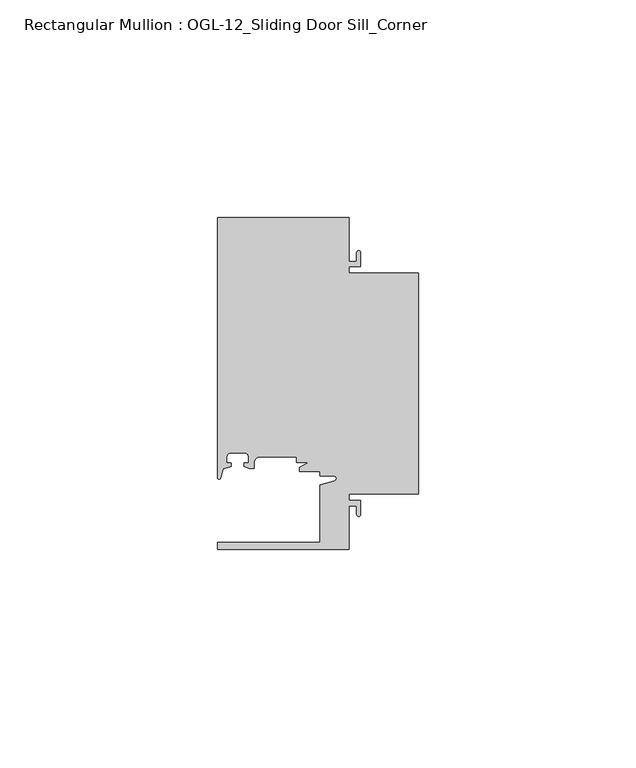
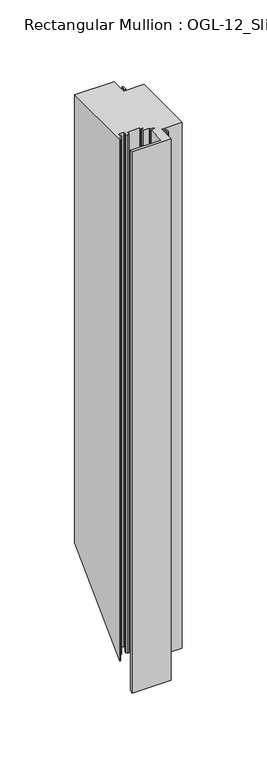
"""IFC4 building model written with IfcOpenShell, lengths in millimetres: member geometry, Rectangular Mullion : OGL-12_Sliding Door Sill_Corner."""

from ifc_helpers import new_model, si_unit, frame, origin, place, context, project, spatial, polyline, circle_curve, ellipse_curve, source, transform, mapped, element, save
from ifc_brep_helpers import plane_surface, cylinder_surface, revolved_surface, advanced_brep


def rectangular_mullion_ogl_12_sliding_door_sill_corner_6464598f(model_context):
    return source(origin(), model_context, "Body", "AdvancedBrep", [
        advanced_brep(
        [(0.0, 4.7625, 0.0), (0.0, 55.5625, 0.0), (-15.934238, 55.5625, 0.0), (-15.934238, 57.0104425, 0.0), (-13.2417195, 57.0104425, 0.0), (-13.2417195, 60.2053503, 0.0), (-14.15323, 60.2053503, 0.0), (-14.15323, 58.2169425, 0.0), (-15.934238, 58.2169425, 0.0), (-15.934238, 68.2628208, 0.0), (-46.0931306, 68.2628208, 0.0), (-46.0931306, 8.5365859, 0.0), (-45.434586, 8.4440335, 0.0), (-44.83413, 10.5380726, 0.0), (-43.0244711, 11.1260664, 0.0), (-43.0244711, 11.9378256, 0.0), (-44.0028338, 11.9378256, 0.0), (-44.0028338, 13.3878227, 0.0), (-43.2028354, 14.1878211, 0.0), (-39.8028422, 14.1878211, 0.0), (-39.0028438, 13.3878227, 0.0), (-39.0028438, 11.9378256, 0.0), (-39.9812066, 11.9378256, 0.0), (-39.9812066, 11.0948795, 0.0), (-38.8813571, 10.7133647, 0.0), (-37.7528423, 10.6805611, 0.0), (-37.7528423, 11.8825031, 0.0), (-36.3386331, 13.2988211, 0.0), (-27.9268052, 13.2988211, 0.0), (-27.9268052, 12.0119625, 0.0), (-25.1995125, 12.0119625, 0.0), (-27.2970068, 10.896705, 0.0), (-27.2970068, 9.9460025, 0.0), (-22.6027094, 9.9460025, 0.0), (-22.6027094, 8.9088472, 0.0), (-19.3562398, 8.9088472, 0.0), (-19.2086572, 7.8587421, 0.0), (-22.6260049, 6.8788334, 0.0), (-22.6260049, -6.3496792, 0.0), (-46.0931306, -6.3496792, 0.0), (-46.0931306, -7.9371792, 0.0), (-15.934238, -7.9371792, 0.0), (-15.934238, 2.1086991, 0.0), (-14.15323, 2.1086991, 0.0), (-14.15323, 0.1196497, 0.0), (-13.2417195, 0.1196497, 0.0), (-13.2417195, 3.3151991, 0.0), (-15.934238, 3.3151991, 0.0), (-15.934238, 4.7625, 0.0), (0.0, 4.7625, -427.9387467), (0.0, 55.5625, -377.1387468), (-15.934238, 55.5625, -377.1387468), (-15.934238, 57.0104425, -375.6908043), (-13.2417195, 57.0104425, -375.6908043), (-13.2417195, 60.2053503, -372.4958965), (-14.15323, 60.2053503, -372.4958965), (-14.15323, 58.2169425, -374.4843043), (-15.934238, 58.2169425, -374.4843043), (-15.934238, 68.2628208, -364.4384259), (-46.0931306, 68.2628208, -364.4384259), (-46.0931306, 8.5365859, -424.1646609), (-45.434586, 8.4440335, -424.2572133), (-44.83413, 10.5380726, -422.1631742), (-43.0244711, 11.1260664, -421.5751803), (-43.0244711, 11.9378256, -420.7634211), (-44.0028338, 11.9378256, -420.7634211), (-44.0028338, 13.3878227, -419.313424), (-43.2028354, 14.1878211, -418.5134256), (-39.8028422, 14.1878211, -418.5134256), (-39.0028438, 13.3878227, -419.313424), (-39.0028438, 11.9378256, -420.7634211), (-39.9812066, 11.9378256, -420.7634211), (-39.9812066, 11.0948795, -421.6063672), (-38.8813571, 10.7133647, -421.9878821), (-37.7528423, 10.6805611, -422.0206856), (-37.7528423, 11.8825031, -420.8187436), (-36.3386331, 13.2988211, -419.4024256), (-27.9268052, 13.2988211, -419.4024256), (-27.9268052, 12.0119625, -420.6892842), (-25.1995125, 12.0119625, -420.6892842), (-27.2970068, 10.896705, -421.8045417), (-27.2970068, 9.9460025, -422.7552442), (-22.6027094, 9.9460025, -422.7552442), (-22.6027094, 8.9088472, -423.7923995), (-19.3562398, 8.9088472, -423.7923995), (-19.2086572, 7.8587421, -424.8425046), (-22.6260049, 6.8788334, -425.8224133), (-22.6260049, -6.3496792, -439.0509259), (-46.0931306, -6.3496792, -439.0509259), (-46.0931306, -7.9371792, -440.6384259), (-15.934238, -7.9371792, -440.6384259), (-15.934238, 2.1086991, -430.5925476), (-14.15323, 2.1086991, -430.5925476), (-14.15323, 0.1196497, -432.581597), (-13.2417195, 0.1196497, -432.581597), (-13.2417195, 3.3151991, -429.3860476), (-15.934238, 3.3151991, -429.3860476), (-15.934238, 4.7625, -427.9387467)],
        [
            (0, 1),
            (1, 2),
            (2, 3),
            (3, 4),
            (4, 5),
            (5, 6, circle_curve(frame((-13.6974747, 60.2053503, 0.0), z_axis=(0.0, 0.0, 1.0), x_axis=(1.0, 0.0, 0.0)), 0.4557552)),
            (6, 7),
            (7, 8),
            (8, 9),
            (9, 10),
            (10, 11),
            (11, 12, circle_curve(frame((-45.7573546, 8.5365859, 0.0), z_axis=(0.0, 0.0, 1.0), x_axis=(1.0, 0.0, 0.0)), 0.335776)),
            (12, 13),
            (13, 14),
            (14, 15),
            (15, 16),
            (16, 17),
            (17, 18, circle_curve(frame((-43.2028354, 13.3878227, 0.0), z_axis=(0.0, 0.0, -1.0), x_axis=(-1.0, 1.799826092248439e-12, 0.0)), 0.7999984)),
            (18, 19),
            (19, 20, circle_curve(frame((-39.8028422, 13.3878227, 0.0), z_axis=(0.0, 0.0, -1.0), x_axis=(0.0, 1.0, 0.0)), 0.7999984)),
            (20, 21),
            (21, 22),
            (22, 23),
            (23, 24),
            (24, 25),
            (25, 26),
            (26, 27, circle_curve(frame((-36.3386331, 11.8846104, 0.0), z_axis=(0.0, 0.0, -1.0), x_axis=(-0.9999999999986251, -1.6582437952564231e-06, 0.0)), 1.4142107)),
            (27, 28),
            (28, 29),
            (29, 30),
            (30, 31),
            (31, 32),
            (32, 33),
            (33, 34),
            (34, 35),
            (35, 36, circle_curve(frame((-19.3562398, 8.373424, 0.0), z_axis=(0.0, 0.0, -1.0), x_axis=(1.0, 0.0, 0.0)), 0.5354233)),
            (36, 37),
            (37, 38),
            (38, 39),
            (39, 40),
            (40, 41),
            (41, 42),
            (42, 43),
            (43, 44),
            (44, 45, circle_curve(frame((-13.6974747, 0.1196497, 0.0), z_axis=(0.0, 0.0, 1.0), x_axis=(1.0, 0.0, 0.0)), 0.4557552)),
            (45, 46),
            (46, 47),
            (47, 48),
            (48, 0),
            (0, 49),
            (49, 50),
            (50, 1),
            (50, 51),
            (51, 2),
            (51, 52),
            (52, 3),
            (52, 53),
            (53, 4),
            (53, 54),
            (54, 5),
            (54, 55, ellipse_curve(frame((-13.6974747, 60.2053503, -372.4958965), z_axis=(0.0, -0.7071067811865476, 0.7071067811865476), x_axis=(0.0, 0.7071067811865476, 0.7071067811865475)), 0.6445352, 0.4557552)),
            (55, 6),
            (55, 56),
            (56, 7),
            (56, 57),
            (57, 8),
            (57, 58),
            (58, 9),
            (58, 59),
            (59, 10),
            (59, 60),
            (60, 11),
            (60, 61, ellipse_curve(frame((-45.7573546, 8.5365859, -424.1646609), z_axis=(0.0, -0.7071067811865476, 0.7071067811865476), x_axis=(0.0, 0.7071067811865476, 0.7071067811865475)), 0.474859, 0.335776)),
            (61, 12),
            (61, 62),
            (62, 13),
            (62, 63),
            (63, 14),
            (63, 64),
            (64, 15),
            (64, 65),
            (65, 16),
            (65, 66),
            (66, 17),
            (66, 67, ellipse_curve(frame((-43.2028354, 13.3878227, -419.313424), z_axis=(0.0, 0.7071067811865476, -0.7071067811865476), x_axis=(0.0, -0.7071067811865476, -0.7071067811865475)), 1.1313686, 0.7999984)),
            (67, 18),
            (67, 68),
            (68, 19),
            (68, 69, ellipse_curve(frame((-39.8028422, 13.3878227, -419.313424), z_axis=(0.0, 0.7071067811865476, -0.7071067811865476), x_axis=(0.0, -0.7071067811865476, -0.7071067811865475)), 1.1313686, 0.7999984)),
            (69, 20),
            (69, 70),
            (70, 21),
            (70, 71),
            (71, 22),
            (71, 72),
            (72, 23),
            (72, 73),
            (73, 24),
            (73, 74),
            (74, 25),
            (74, 75),
            (75, 26),
            (75, 76, ellipse_curve(frame((-36.3386331, 11.8846104, -420.8166364), z_axis=(0.0, 0.7071067811865476, -0.7071067811865476), x_axis=(0.0, -0.7071067811865476, -0.7071067811865475)), 1.999996, 1.4142107)),
            (76, 27),
            (76, 77),
            (77, 28),
            (77, 78),
            (78, 29),
            (78, 79),
            (79, 30),
            (79, 80),
            (80, 31),
            (80, 81),
            (81, 32),
            (81, 82),
            (82, 33),
            (82, 83),
            (83, 34),
            (83, 84),
            (84, 35),
            (84, 85, ellipse_curve(frame((-19.3562398, 8.373424, -424.3278228), z_axis=(0.0, 0.7071067811865476, -0.7071067811865476), x_axis=(0.0, -0.7071067811865476, -0.7071067811865475)), 0.7572029, 0.5354233)),
            (85, 36),
            (85, 86),
            (86, 37),
            (86, 87),
            (87, 38),
            (87, 88),
            (88, 39),
            (88, 89),
            (89, 40),
            (89, 90),
            (90, 41),
            (90, 91),
            (91, 42),
            (91, 92),
            (92, 43),
            (92, 93),
            (93, 44),
            (93, 94, ellipse_curve(frame((-13.6974747, 0.1196497, -432.581597), z_axis=(0.0, -0.7071067811865476, 0.7071067811865476), x_axis=(0.0, 0.7071067811865476, 0.7071067811865475)), 0.6445352, 0.4557552)),
            (94, 45),
            (94, 95),
            (95, 46),
            (95, 96),
            (96, 47),
            (96, 97),
            (97, 48),
            (97, 49),
        ],
        [
            plane_surface(frame((0.0, -82.3674049, 0.0), z_axis=(0.0, 0.0, 1.0), x_axis=(-1.0, 0.0, 0.0))),
            plane_surface(frame((0.0, 4.7625, 0.0), z_axis=(1.0, 0.0, 0.0), x_axis=(0.0, 0.0, -1.0))),
            plane_surface(frame((0.0, 55.5625, 0.0), z_axis=(0.0, 1.0, 0.0), x_axis=(0.0, 0.0, -1.0))),
            plane_surface(frame((-15.934238, 55.5625, 0.0), z_axis=(1.0, 0.0, 0.0), x_axis=(0.0, 0.0, -1.0))),
            plane_surface(frame((-15.934238, 57.0104425, 0.0), z_axis=(0.0, -1.0, 0.0), x_axis=(0.0, 0.0, -1.0))),
            plane_surface(frame((-13.2417195, 57.0104425, 0.0), z_axis=(1.0, 0.0, 0.0), x_axis=(0.0, 0.0, -1.0))),
            cylinder_surface(frame((-13.6974747, 60.2053503, 0.0), z_axis=(0.0, 0.0, 1.0), x_axis=(1.0, 0.0, 0.0)), 0.4557552),
            plane_surface(frame((-14.15323, 60.2053503, 0.0), z_axis=(-1.0, 0.0, 0.0), x_axis=(0.0, 0.0, -1.0))),
            plane_surface(frame((-14.15323, 58.2169425, 0.0), z_axis=(0.0, 1.0, 0.0), x_axis=(0.0, 0.0, -1.0))),
            plane_surface(frame((-15.934238, 58.2169425, 0.0), z_axis=(1.0, 0.0, 0.0), x_axis=(0.0, 0.0, -1.0))),
            plane_surface(frame((-15.934238, 68.2628208, 0.0), z_axis=(0.0, 1.0, 0.0), x_axis=(0.0, 0.0, -1.0))),
            plane_surface(frame((-46.0931306, 68.2628208, 0.0), z_axis=(-1.0, 0.0, 0.0), x_axis=(0.0, 0.0, -1.0))),
            cylinder_surface(frame((-45.7573546, 8.5365859, 0.0), z_axis=(0.0, 0.0, 1.0), x_axis=(1.0, 0.0, 0.0)), 0.335776),
            plane_surface(frame((-45.434586, 8.4440335, 0.0), z_axis=(0.9612616959383194, -0.2756373558169974, 0.0), x_axis=(0.0, 0.0, -1.0))),
            plane_surface(frame((-44.83413, 10.5380726, 0.0), z_axis=(0.3090169943749513, -0.9510565162951524, 0.0), x_axis=(0.0, 0.0, -1.0))),
            plane_surface(frame((-43.0244711, 11.1260664, 0.0), z_axis=(1.0, 4.43377596609906e-12, 0.0), x_axis=(0.0, 0.0, -1.0))),
            plane_surface(frame((-43.0244711, 11.9378256, 0.0), z_axis=(-4.433747641661293e-12, 1.0, 0.0), x_axis=(0.0, 0.0, -1.0))),
            plane_surface(frame((-44.0028338, 11.9378256, 0.0), z_axis=(1.0, 0.0, 0.0), x_axis=(0.0, 0.0, -1.0))),
            revolved_surface(polyline([(-44.0028338, 13.38782270000144, -420.1134224090815), (-44.0028338, 13.38782270000144, 0.0)]), (-43.2028354, 13.3878227, 0.0), (0.0, 0.0, -1.0)),
            plane_surface(frame((-43.2028354, 14.1878211, 0.0), z_axis=(0.0, -1.0, 0.0), x_axis=(0.0, 0.0, -1.0))),
            revolved_surface(polyline([(-39.8028422, 14.187821099999999, -420.1134224090815), (-39.8028422, 14.187821099999999, 0.0)]), (-39.8028422, 13.3878227, 0.0), (0.0, 0.0, -1.0)),
            plane_surface(frame((-39.0028438, 13.3878227, 0.0), z_axis=(-1.0, 0.0, 0.0), x_axis=(0.0, 0.0, -1.0))),
            plane_surface(frame((-39.0028438, 11.9378256, 0.0), z_axis=(-4.433747641661293e-12, 1.0, 0.0), x_axis=(0.0, 0.0, -1.0))),
            plane_surface(frame((-39.9812066, 11.9378256, 0.0), z_axis=(-1.0, -4.433451685302712e-12, 0.0), x_axis=(0.0, 0.0, -1.0))),
            plane_surface(frame((-39.9812066, 11.0948795, 0.0), z_axis=(-0.32772245719498466, -0.94477404232445, 0.0), x_axis=(0.0, 0.0, -1.0))),
            plane_surface(frame((-38.8813571, 10.7133647, 0.0), z_axis=(-0.029055596517580287, -0.999577797027829, 0.0), x_axis=(0.0, 0.0, -1.0))),
            plane_surface(frame((-37.7528423, 10.6805611, 0.0), z_axis=(1.0, 0.0, 0.0), x_axis=(0.0, 0.0, -1.0))),
            revolved_surface(polyline([(-37.75284379999806, 11.884608054893882, -422.230847133946), (-37.75284379999806, 11.884608054893882, 0.0)]), (-36.3386331, 11.8846104, 0.0), (0.0, 0.0, -1.0)),
            plane_surface(frame((-36.3386331, 13.2988211, 0.0), z_axis=(0.0, -1.0, 0.0), x_axis=(0.0, 0.0, -1.0))),
            plane_surface(frame((-27.9268052, 13.2988211, 0.0), z_axis=(-1.0, 0.0, 0.0), x_axis=(0.0, 0.0, -1.0))),
            plane_surface(frame((-27.9268052, 12.0119625, 0.0), z_axis=(0.0, -1.0, 0.0), x_axis=(0.0, 0.0, -1.0))),
            plane_surface(frame((-25.1995125, 12.0119625, 0.0), z_axis=(-0.4694715627858938, 0.8829475928589254, 0.0), x_axis=(0.0, 0.0, -1.0))),
            plane_surface(frame((-27.2970068, 10.896705, 0.0), z_axis=(-1.0, 0.0, 0.0), x_axis=(0.0, 0.0, -1.0))),
            plane_surface(frame((-27.2970068, 9.9460025, 0.0), z_axis=(0.0, -1.0, 0.0), x_axis=(0.0, 0.0, -1.0))),
            plane_surface(frame((-22.6027094, 9.9460025, 0.0), z_axis=(-1.0, 0.0, 0.0), x_axis=(0.0, 0.0, -1.0))),
            plane_surface(frame((-22.6027094, 8.9088472, 0.0), z_axis=(0.0, -1.0, 0.0), x_axis=(0.0, 0.0, -1.0))),
            revolved_surface(polyline([(-18.8208165, 8.373424, -424.8632461053241), (-18.8208165, 8.373424, 0.0)]), (-19.3562398, 8.373424, 0.0), (0.0, 0.0, -1.0)),
            plane_surface(frame((-19.2086572, 7.8587421, 0.0), z_axis=(-0.2756373558170016, 0.9612616959383182, 0.0), x_axis=(0.0, 0.0, -1.0))),
            plane_surface(frame((-22.6260049, 6.8788334, 0.0), z_axis=(-1.0, 0.0, 0.0), x_axis=(0.0, 0.0, -1.0))),
            plane_surface(frame((-22.6260049, -6.3496792, 0.0), z_axis=(0.0, 1.0, 0.0), x_axis=(0.0, 0.0, -1.0))),
            plane_surface(frame((-46.0931306, -6.3496792, 0.0), z_axis=(-1.0, 0.0, 0.0), x_axis=(0.0, 0.0, -1.0))),
            plane_surface(frame((-46.0931306, -7.9371792, 0.0), z_axis=(0.0, -1.0, 0.0), x_axis=(0.0, 0.0, -1.0))),
            plane_surface(frame((-15.934238, -7.9371792, 0.0), z_axis=(1.0, 0.0, 0.0), x_axis=(0.0, 0.0, -1.0))),
            plane_surface(frame((-15.934238, 2.1086991, 0.0), z_axis=(0.0, -1.0, 0.0), x_axis=(0.0, 0.0, -1.0))),
            plane_surface(frame((-14.15323, 2.1086991, 0.0), z_axis=(-1.0, 0.0, 0.0), x_axis=(0.0, 0.0, -1.0))),
            cylinder_surface(frame((-13.6974747, 0.1196497, 0.0), z_axis=(0.0, 0.0, 1.0), x_axis=(1.0, 0.0, 0.0)), 0.4557552),
            plane_surface(frame((-13.2417195, 0.1196497, 0.0), z_axis=(1.0, 0.0, 0.0), x_axis=(0.0, 0.0, -1.0))),
            plane_surface(frame((-13.2417195, 3.3151991, 0.0), z_axis=(0.0, 1.0, 0.0), x_axis=(0.0, 0.0, -1.0))),
            plane_surface(frame((-15.934238, 3.3151991, 0.0), z_axis=(1.0, 0.0, 0.0), x_axis=(0.0, 0.0, -1.0))),
            plane_surface(frame((-15.934238, 4.7625, 0.0), z_axis=(0.0, -1.0, 0.0), x_axis=(0.0, 0.0, -1.0))),
            plane_surface(frame((-304.8, 0.0, -432.7012467), z_axis=(0.0, 0.7071067811865476, -0.7071067811865476), x_axis=(0.0, 0.7071067811865476, 0.7071067811865476))),
        ],
        [
            (0, [[1, 2, 3, 4, 5, 6, 7, 8, 9, 10, 11, 12, 13, 14, 15, 16, 17, 18, 19, 20, 21, 22, 23, 24, 25, 26, 27, 28, 29, 30, 31, 32, 33, 34, 35, 36, 37, 38, 39, 40, 41, 42, 43, 44, 45, 46, 47, 48, 49]]),
            (1, [[-1, 50, 51, 52]]),
            (2, [[-2, -52, 53, 54]]),
            (3, [[-3, -54, 55, 56]]),
            (4, [[-4, -56, 57, 58]]),
            (5, [[-5, -58, 59, 60]]),
            (6, [[-6, -60, 61, 62]]),
            (7, [[-7, -62, 63, 64]]),
            (8, [[-8, -64, 65, 66]]),
            (9, [[-9, -66, 67, 68]]),
            (10, [[-10, -68, 69, 70]]),
            (11, [[-11, -70, 71, 72]]),
            (12, [[-12, -72, 73, 74]]),
            (13, [[-13, -74, 75, 76]]),
            (14, [[-14, -76, 77, 78]]),
            (15, [[-15, -78, 79, 80]]),
            (16, [[-16, -80, 81, 82]]),
            (17, [[-17, -82, 83, 84]]),
            (18, [[-18, -84, 85, 86]]),
            (19, [[-19, -86, 87, 88]]),
            (20, [[-20, -88, 89, 90]]),
            (21, [[-21, -90, 91, 92]]),
            (22, [[-22, -92, 93, 94]]),
            (23, [[-23, -94, 95, 96]]),
            (24, [[-24, -96, 97, 98]]),
            (25, [[-25, -98, 99, 100]]),
            (26, [[-26, -100, 101, 102]]),
            (27, [[-27, -102, 103, 104]]),
            (28, [[-28, -104, 105, 106]]),
            (29, [[-29, -106, 107, 108]]),
            (30, [[-30, -108, 109, 110]]),
            (31, [[-31, -110, 111, 112]]),
            (32, [[-32, -112, 113, 114]]),
            (33, [[-33, -114, 115, 116]]),
            (34, [[-34, -116, 117, 118]]),
            (35, [[-35, -118, 119, 120]]),
            (36, [[-36, -120, 121, 122]]),
            (37, [[-37, -122, 123, 124]]),
            (38, [[-38, -124, 125, 126]]),
            (39, [[-39, -126, 127, 128]]),
            (40, [[-40, -128, 129, 130]]),
            (41, [[-41, -130, 131, 132]]),
            (42, [[-42, -132, 133, 134]]),
            (43, [[-43, -134, 135, 136]]),
            (44, [[-44, -136, 137, 138]]),
            (45, [[-45, -138, 139, 140]]),
            (46, [[-46, -140, 141, 142]]),
            (47, [[-47, -142, 143, 144]]),
            (48, [[-48, -144, 145, 146]]),
            (49, [[-49, -146, 147, -50]]),
            (50, [[-147, -145, -143, -141, -139, -137, -135, -133, -131, -129, -127, -125, -123, -121, -119, -117, -115, -113, -111, -109, -107, -105, -103, -101, -99, -97, -95, -93, -91, -89, -87, -85, -83, -81, -79, -77, -75, -73, -71, -69, -67, -65, -63, -61, -59, -57, -55, -53, -51]]),
        ],
    ),
    ])


if __name__ == "__main__":
    model = new_model("IFC4")
    model_context = context("Model", 3, world=origin())
    ifc_project = project(units=[si_unit("LENGTHUNIT", "METRE", prefix="MILLI")], contexts=[model_context])
    site = spatial("IfcSite", under=ifc_project)
    building = spatial("IfcBuilding", under=site)
    placement = place(None, origin())
    rectangular_mullion_ogl_12_sliding_door_sill_corner_shape = rectangular_mullion_ogl_12_sliding_door_sill_corner_6464598f(model_context)
    element("IfcMember", 1, ObjectType="Rectangular Mullion : OGL-12_Sliding Door Sill_Corner", at=placement, inside=building, context=model_context, shape_type="MappedRepresentation", body=[
        mapped(rectangular_mullion_ogl_12_sliding_door_sill_corner_shape, transform((0.0, 0.0, 0.0), x_axis=(1.0, 0.0, 0.0), y_axis=(0.0, 1.0, 0.0), z_axis=(0.0, 0.0, 1.0))),
    ])
    save(model, "model.ifc")
